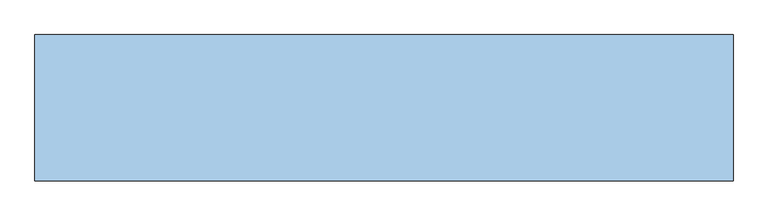
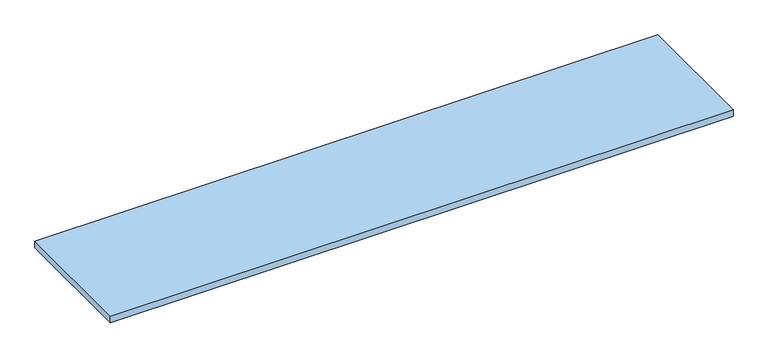
"""IFC4 building model written with IfcOpenShell, lengths in millimetres: window geometry."""

from ifc_helpers import new_model, si_unit, origin, origin_with_axes, place, context, project, spatial, polyline, outline, extrude, source, transform, mapped, element, save


def window_4eefa80d(model_context):
    return source(origin(), model_context, "Body", "SweptSolid", [
        extrude(outline(polyline([(905.0, 0.0), (905.0, -380.0), (-905.0, -380.0), (-905.0, 0.0), (905.0, 0.0)])), origin_with_axes(), (0.0, 0.0, 1.0), 20.0),
    ])


if __name__ == "__main__":
    model = new_model("IFC4")
    model_context = context("Model", 3, world=origin())
    ifc_project = project(units=[si_unit("LENGTHUNIT", "METRE", prefix="MILLI")], contexts=[model_context])
    site = spatial("IfcSite", under=ifc_project)
    building = spatial("IfcBuilding", under=site)
    placement = place(None, origin())
    window_shape = window_4eefa80d(model_context)
    element("IfcWindow", 1, at=placement, inside=building, context=model_context, shape_type="MappedRepresentation", body=[
        mapped(window_shape, transform((0.0, 0.0, 0.0), x_axis=(1.0, 0.0, 0.0), y_axis=(0.0, 1.0, 0.0), z_axis=(0.0, 0.0, 1.0))),
    ])
    save(model, "model.ifc")
